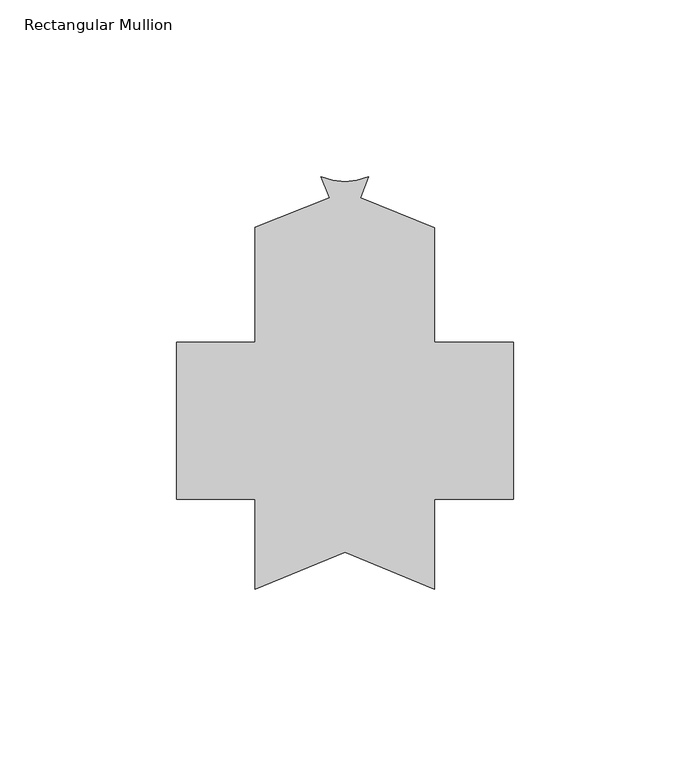
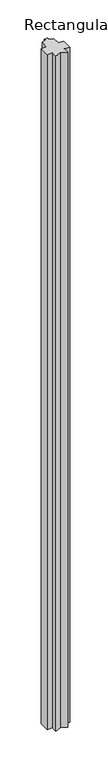
"""IFC4 building model written with IfcOpenShell, lengths in millimetres: member geometry, Rectangular Mullion."""

from ifc_helpers import new_model, si_unit, point, frame, frame_2d, origin, place, context, project, spatial, polyline, circle_curve, trimmed, segment, composite_curve, outline, extrude, source, transform, mapped, element, save


def rectangular_mullion_0247a3b1(model_context):
    return source(origin(), model_context, "Body", "SweptSolid", [
        extrude(outline(composite_curve([segment(polyline([(-47.6232483, -57.1351817), (-73.0295658, -67.658823), (-73.0295658, -42.258823), (-95.2239247, -42.258823), (-95.2239247, 2.191177), (-73.0295658, 2.191177), (-73.0295658, 34.6685376), (-52.0428285, 43.09377), (-54.4028362, 48.9724045)]), True, "CONTINUOUS"), segment(trimmed(circle_curve(frame_2d((-47.6323419, 65.0956245)), 17.4870757), [point((-54.4028362, 48.9724045))], [point((-40.9019212, 48.9556353))], True, "CARTESIAN"), True, "CONTINUOUS"), segment(polyline([(-40.9019212, 48.9556353), (-43.2608436, 43.118841), (-22.2304174, 34.6194589), (-22.2304174, 2.1912742), (0.0, 2.191177), (0.0, -42.258823), (-22.225, -42.258823), (-22.225, -67.6554807), (-47.6232483, -57.1351817)]), True, "CONTINUOUS")], self_intersect=False)), frame((0.0, 0.0, -3048.0), z_axis=(0.0, 0.0, 1.0), x_axis=(1.0, 0.0, 0.0)), (0.0, 0.0, 1.0), 3048.0),
    ])


if __name__ == "__main__":
    model = new_model("IFC4")
    model_context = context("Model", 3, world=origin())
    ifc_project = project(units=[si_unit("LENGTHUNIT", "METRE", prefix="MILLI")], contexts=[model_context])
    site = spatial("IfcSite", under=ifc_project)
    building = spatial("IfcBuilding", under=site)
    placement = place(None, origin())
    rectangular_mullion_shape = rectangular_mullion_0247a3b1(model_context)
    element("IfcMember", 1, ObjectType="Rectangular Mullion", at=placement, inside=building, context=model_context, shape_type="MappedRepresentation", body=[
        mapped(rectangular_mullion_shape, transform((0.0, 0.0, 0.0), x_axis=(1.0, 0.0, 0.0), y_axis=(0.0, 1.0, 0.0), z_axis=(0.0, 0.0, 1.0))),
    ])
    save(model, "model.ifc")
